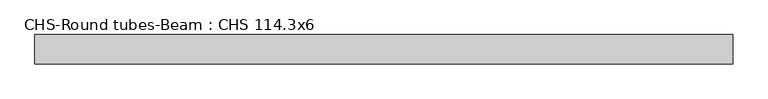
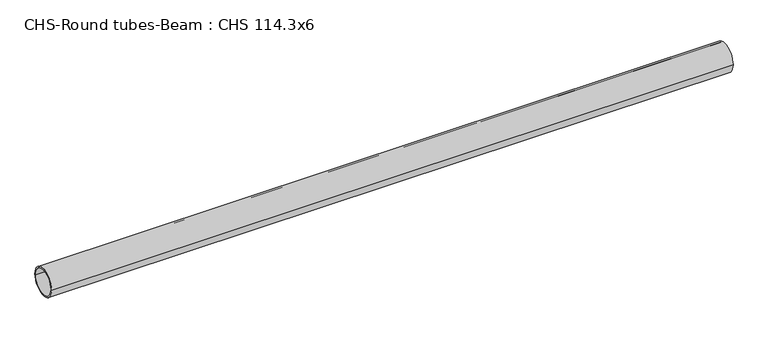
"""IFC4 building model written with IfcOpenShell, lengths in millimetres: beam geometry, CHS-Round tubes-Beam : CHS 114.3x6."""

from ifc_helpers import new_model, si_unit, point, frame, origin, origin_2d, place, context, project, spatial, circle_curve, trimmed, segment, composite_curve, outline, extrude, source, transform, mapped, element, save


def chs_round_tubes_beam_chs_114_3x6_e5415754(model_context):
    return source(origin(), model_context, "Body", "SweptSolid", [
        extrude(outline(composite_curve([segment(trimmed(circle_curve(origin_2d(), 57.15), [point((57.15, 0.0))], [point((-57.15, 0.0))], False, "CARTESIAN"), True, "CONTINUOUS"), segment(trimmed(circle_curve(origin_2d(), 57.15), [point((-57.15, 0.0))], [point((57.15, 0.0))], False, "CARTESIAN"), True, "CONTINUOUS")], self_intersect=False), holes=[composite_curve([segment(trimmed(circle_curve(origin_2d(), 51.15), [point((51.15, 0.0))], [point((-51.15, 0.0))], True, "CARTESIAN"), True, "CONTINUOUS"), segment(trimmed(circle_curve(origin_2d(), 51.15), [point((-51.15, 0.0))], [point((51.15, 0.0))], True, "CARTESIAN"), True, "CONTINUOUS")], self_intersect=False)]), frame((-1290.1740765, 0.0, 0.0), z_axis=(1.0, 0.0, 0.0), x_axis=(0.0, 1.0, 0.0)), (0.0, 0.0, 1.0), 2723.7079048),
    ])


if __name__ == "__main__":
    model = new_model("IFC4")
    model_context = context("Model", 3, world=origin())
    ifc_project = project(units=[si_unit("LENGTHUNIT", "METRE", prefix="MILLI")], contexts=[model_context])
    site = spatial("IfcSite", under=ifc_project)
    building = spatial("IfcBuilding", under=site)
    placement = place(None, origin())
    chs_round_tubes_beam_chs_114_3x6_shape = chs_round_tubes_beam_chs_114_3x6_e5415754(model_context)
    element("IfcBeam", 1, ObjectType="CHS-Round tubes-Beam : CHS 114.3x6", at=placement, inside=building, context=model_context, shape_type="MappedRepresentation", body=[
        mapped(chs_round_tubes_beam_chs_114_3x6_shape, transform((0.0, 0.0, 0.0), x_axis=(1.0, 0.0, 0.0), y_axis=(0.0, 1.0, 0.0), z_axis=(0.0, 0.0, 1.0))),
    ])
    save(model, "model.ifc")
